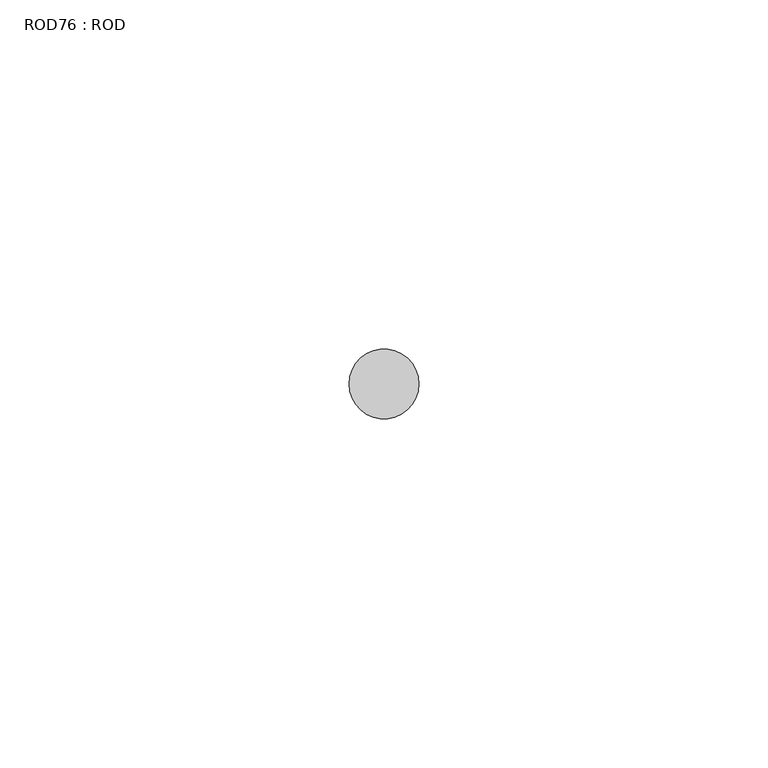
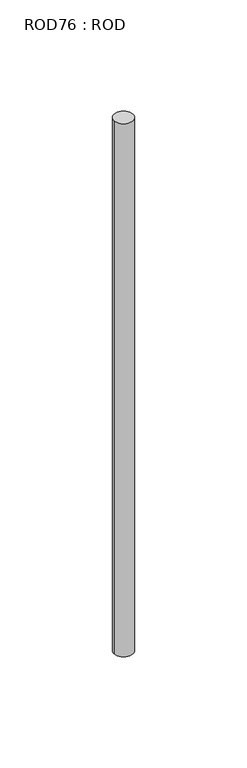
"""IFC4 building model written with IfcOpenShell, lengths in millimetres: proxy geometry, ROD76 : ROD."""

from ifc_helpers import new_model, si_unit, point, frame, frame_2d, origin, place, context, project, spatial, circle_curve, trimmed, segment, composite_curve, outline, extrude, source, transform, mapped, element, save


def rod76_rod_afd61f4e(model_context):
    return source(origin(), model_context, "Body", "SweptSolid", [
        extrude(outline(composite_curve([segment(trimmed(circle_curve(frame_2d((8999.7673324, 1031.8951272)), 5.0), [point((8994.7673324, 1031.8951272))], [point((9004.7673324, 1031.8951272))], False, "CARTESIAN"), True, "CONTINUOUS"), segment(trimmed(circle_curve(frame_2d((8999.7673324, 1031.8951272)), 5.0), [point((9004.7673324, 1031.8951272))], [point((8994.7673324, 1031.8951272))], False, "CARTESIAN"), True, "CONTINUOUS")], self_intersect=False)), frame((0.0, 0.0, -108.6608845), z_axis=(0.0, 0.0, 1.0), x_axis=(1.0, 0.0, 0.0)), (0.0, 0.0, 1.0), 298.9028972),
    ])


if __name__ == "__main__":
    model = new_model("IFC4")
    model_context = context("Model", 3, world=origin())
    ifc_project = project(units=[si_unit("LENGTHUNIT", "METRE", prefix="MILLI")], contexts=[model_context])
    site = spatial("IfcSite", under=ifc_project)
    building = spatial("IfcBuilding", under=site)
    placement = place(None, origin())
    rod76_rod_shape = rod76_rod_afd61f4e(model_context)
    element("IfcBuildingElementProxy", 1, Name="ROD76 : ROD", ObjectType="ROD76 : ROD", at=placement, inside=building, context=model_context, shape_type="MappedRepresentation", body=[
        mapped(rod76_rod_shape, transform((0.0, 0.0, 0.0), x_axis=(1.0, 0.0, 0.0), y_axis=(0.0, 1.0, 0.0), z_axis=(0.0, 0.0, 1.0))),
    ])
    save(model, "model.ifc")
